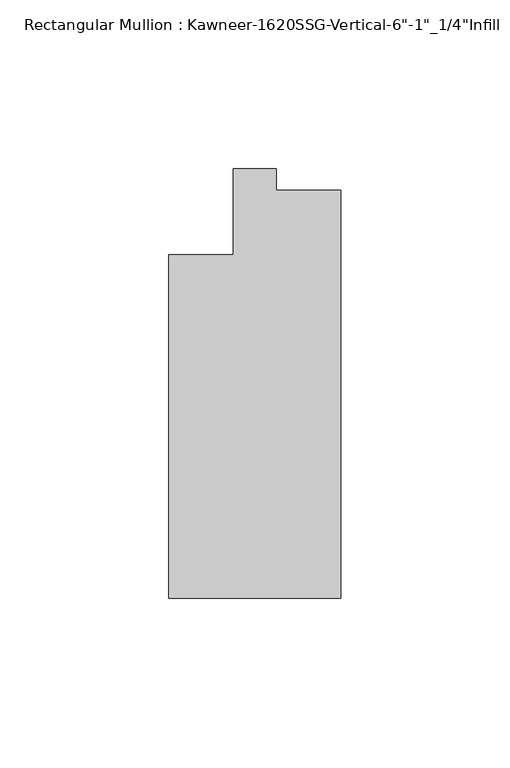
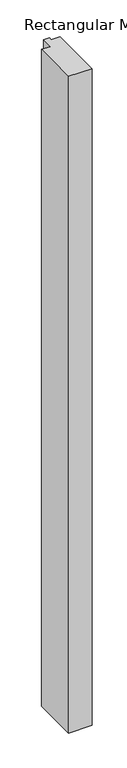
"""IFC4 building model written with IfcOpenShell, lengths in millimetres: member geometry."""

from ifc_helpers import new_model, si_unit, frame, origin, place, context, project, spatial, polyline, outline, extrude, source, transform, mapped, element, save


def member_ce7695e7(model_context):
    return source(origin(), model_context, "Body", "SweptSolid", [
        extrude(outline(polyline([(25.4, -123.825), (-25.4, -123.825), (-25.4, -22.225), (-6.35, -22.225), (-6.35, 3.175), (6.35, 3.175), (6.35, -3.175), (25.4, -3.175), (25.4, -123.825)])), frame((0.0, 0.0, -1498.6), z_axis=(0.0, 0.0, 1.0), x_axis=(1.0, 0.0, 0.0)), (0.0, 0.0, 1.0), 1498.6),
    ])


if __name__ == "__main__":
    model = new_model("IFC4")
    model_context = context("Model", 3, world=origin())
    ifc_project = project(units=[si_unit("LENGTHUNIT", "METRE", prefix="MILLI")], contexts=[model_context])
    site = spatial("IfcSite", under=ifc_project)
    building = spatial("IfcBuilding", under=site)
    placement = place(None, origin())
    member_shape = member_ce7695e7(model_context)
    element("IfcMember", 1, ObjectType="Rectangular Mullion : Kawneer-1620SSG-Vertical-6\"-1\"_1/4\"Infill", at=placement, inside=building, context=model_context, shape_type="MappedRepresentation", body=[
        mapped(member_shape, transform((0.0, 0.0, 0.0), x_axis=(1.0, 0.0, 0.0), y_axis=(0.0, 1.0, 0.0), z_axis=(0.0, 0.0, 1.0))),
    ])
    save(model, "model.ifc")
